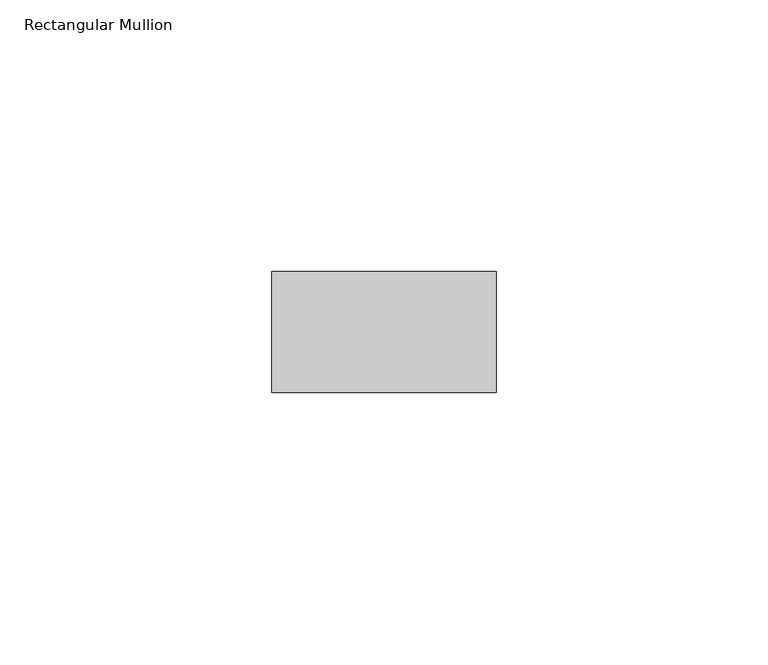
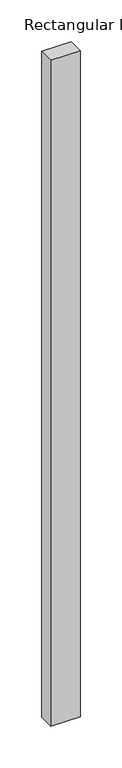
"""IFC4 building model written with IfcOpenShell, lengths in millimetres: member geometry, Rectangular Mullion."""

from ifc_helpers import new_model, si_unit, frame, origin, place, context, project, spatial, polyline, outline, extrude, source, transform, mapped, element, save


def rectangular_mullion_16c2fa1e(model_context):
    return source(origin(), model_context, "Body", "SweptSolid", [
        extrude(outline(polyline([(0.0, -11.1125), (-41.275, -11.1125), (-41.275, 11.1125), (0.0, 11.1125), (0.0, -11.1125)])), frame((0.0, 0.0, -979.4875), z_axis=(0.0, 0.0, 1.0), x_axis=(1.0, 0.0, 0.0)), (0.0, 0.0, 1.0), 979.4875),
    ])


if __name__ == "__main__":
    model = new_model("IFC4")
    model_context = context("Model", 3, world=origin())
    ifc_project = project(units=[si_unit("LENGTHUNIT", "METRE", prefix="MILLI")], contexts=[model_context])
    site = spatial("IfcSite", under=ifc_project)
    building = spatial("IfcBuilding", under=site)
    placement = place(None, origin())
    rectangular_mullion_shape = rectangular_mullion_16c2fa1e(model_context)
    element("IfcMember", 1, ObjectType="Rectangular Mullion", at=placement, inside=building, context=model_context, shape_type="MappedRepresentation", body=[
        mapped(rectangular_mullion_shape, transform((0.0, 0.0, 0.0), x_axis=(1.0, 0.0, 0.0), y_axis=(0.0, 1.0, 0.0), z_axis=(0.0, 0.0, 1.0))),
    ])
    save(model, "model.ifc")
